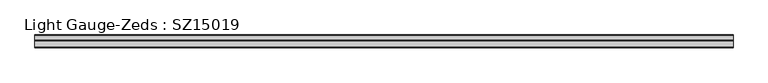
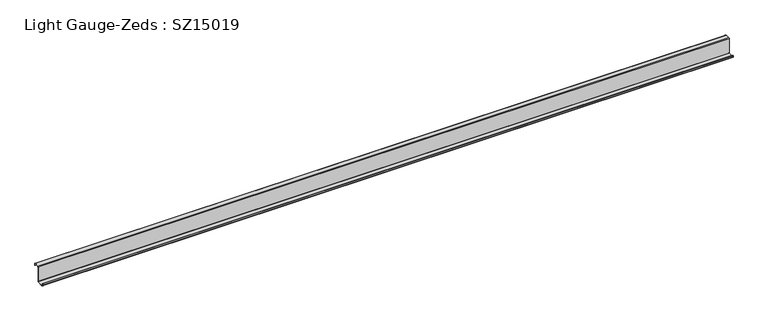
"""IFC4 building model written with IfcOpenShell, lengths in millimetres: beam geometry, Light Gauge-Zeds : SZ15019."""

from ifc_helpers import new_model, si_unit, point, frame, frame_2d, origin, place, context, project, spatial, polyline, circle_curve, trimmed, segment, composite_curve, outline, extrude, source, transform, mapped, element, save


def light_gauge_zeds_sz15019_582eccc0(model_context):
    return source(origin(), model_context, "Body", "SweptSolid", [
        extrude(outline(composite_curve([segment(trimmed(circle_curve(frame_2d((-3.9, -72.1)), 3.9), [point((0.0, -72.1))], [point((-3.9, -76.0))], False, "CARTESIAN"), True, "CONTINUOUS"), segment(polyline([(-3.9, -76.0), (-63.6, -76.0)]), True, "CONTINUOUS"), segment(trimmed(circle_curve(frame_2d((-63.6, -72.1)), 3.9), [point((-63.6, -76.0))], [point((-67.5, -72.1))], False, "CARTESIAN"), True, "CONTINUOUS"), segment(polyline([(-67.5, -72.1), (-67.5, -57.0), (-65.6, -57.0), (-65.6, -72.1)]), True, "CONTINUOUS"), segment(trimmed(circle_curve(frame_2d((-63.6, -72.1)), 2.0), [point((-65.6, -72.1))], [point((-63.6, -74.1))], True, "CARTESIAN"), True, "CONTINUOUS"), segment(polyline([(-63.6, -74.1), (-3.9, -74.1)]), True, "CONTINUOUS"), segment(trimmed(circle_curve(frame_2d((-3.9, -72.1)), 2.0), [point((-3.9, -74.1))], [point((-1.9, -72.1))], True, "CARTESIAN"), True, "CONTINUOUS"), segment(polyline([(-1.9, -72.1), (-1.9, 72.1)]), True, "CONTINUOUS"), segment(trimmed(circle_curve(frame_2d((2.0, 72.1)), 3.9), [point((-1.9, 72.1))], [point((2.0, 76.0))], False, "CARTESIAN"), True, "CONTINUOUS"), segment(polyline([(2.0, 76.0), (46.6, 76.0)]), True, "CONTINUOUS"), segment(trimmed(circle_curve(frame_2d((46.6, 72.1)), 3.9), [point((46.6, 76.0))], [point((50.5, 72.1))], False, "CARTESIAN"), True, "CONTINUOUS"), segment(polyline([(50.5, 72.1), (50.5, 58.0), (48.6, 58.0), (48.6, 72.1)]), True, "CONTINUOUS"), segment(trimmed(circle_curve(frame_2d((46.6, 72.1)), 2.0), [point((48.6, 72.1))], [point((46.6, 74.1))], True, "CARTESIAN"), True, "CONTINUOUS"), segment(polyline([(46.6, 74.1), (2.0, 74.1)]), True, "CONTINUOUS"), segment(trimmed(circle_curve(frame_2d((2.0, 72.1)), 2.0), [point((2.0, 74.1))], [point((0.0, 72.1))], True, "CARTESIAN"), True, "CONTINUOUS"), segment(polyline([(0.0, 72.1), (0.0, -72.1)]), True, "CONTINUOUS")], self_intersect=False)), frame((-3510.0, 0.0, 0.0), z_axis=(1.0, 0.0, 0.0), x_axis=(0.0, 1.0, 0.0)), (0.0, 0.0, 1.0), 6482.0),
    ])


if __name__ == "__main__":
    model = new_model("IFC4")
    model_context = context("Model", 3, world=origin())
    ifc_project = project(units=[si_unit("LENGTHUNIT", "METRE", prefix="MILLI")], contexts=[model_context])
    site = spatial("IfcSite", under=ifc_project)
    building = spatial("IfcBuilding", under=site)
    placement = place(None, origin())
    light_gauge_zeds_sz15019_shape = light_gauge_zeds_sz15019_582eccc0(model_context)
    element("IfcBeam", 1, ObjectType="Light Gauge-Zeds : SZ15019", at=placement, inside=building, context=model_context, shape_type="MappedRepresentation", body=[
        mapped(light_gauge_zeds_sz15019_shape, transform((0.0, 0.0, 0.0), x_axis=(1.0, 0.0, 0.0), y_axis=(0.0, 1.0, 0.0), z_axis=(0.0, 0.0, 1.0))),
    ])
    save(model, "model.ifc")
